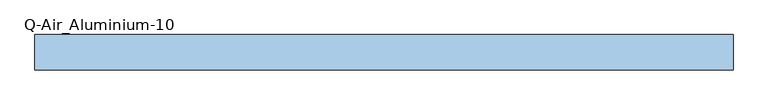
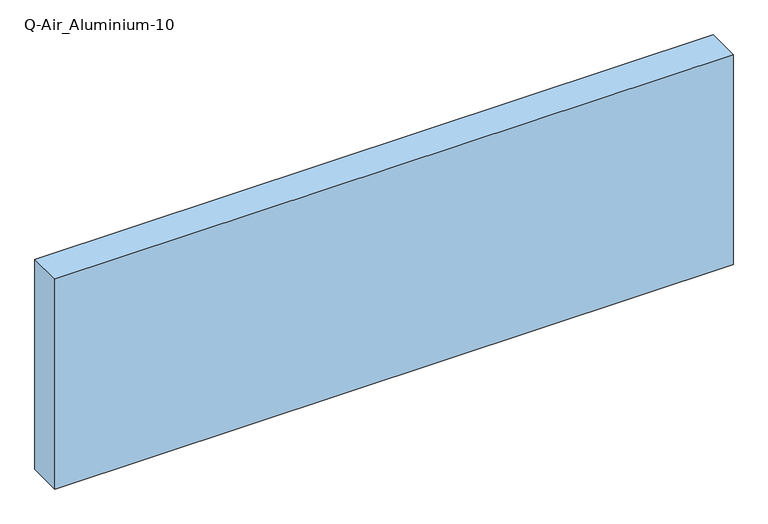
"""IFC4 building model written with IfcOpenShell, lengths in millimetres: window geometry, Q-Air_Aluminium-10."""

from ifc_helpers import new_model, si_unit, origin, origin_with_axes, place, context, project, spatial, polyline, outline, extrude, source, transform, mapped, element, save


def q_air_aluminium_10_e9d7ad12(model_context):
    return source(origin(), model_context, "Body", "SweptSolid", [
        extrude(outline(polyline([(1312.4, 0.0), (1312.4, -127.0), (-1190.0, -127.0), (-1190.0, 0.0), (1312.4, 0.0)])), origin_with_axes(), (0.0, 0.0, 1.0), 820.0),
    ])


if __name__ == "__main__":
    model = new_model("IFC4")
    model_context = context("Model", 3, world=origin())
    ifc_project = project(units=[si_unit("LENGTHUNIT", "METRE", prefix="MILLI")], contexts=[model_context])
    site = spatial("IfcSite", under=ifc_project)
    building = spatial("IfcBuilding", under=site)
    placement = place(None, origin())
    q_air_aluminium_10_shape = q_air_aluminium_10_e9d7ad12(model_context)
    element("IfcWindow", 1, ObjectType="Q-Air_Aluminium-10", at=placement, inside=building, context=model_context, shape_type="MappedRepresentation", body=[
        mapped(q_air_aluminium_10_shape, transform((0.0, 0.0, 0.0), x_axis=(1.0, 0.0, 0.0), y_axis=(0.0, 1.0, 0.0), z_axis=(0.0, 0.0, 1.0))),
    ])
    save(model, "model.ifc")
